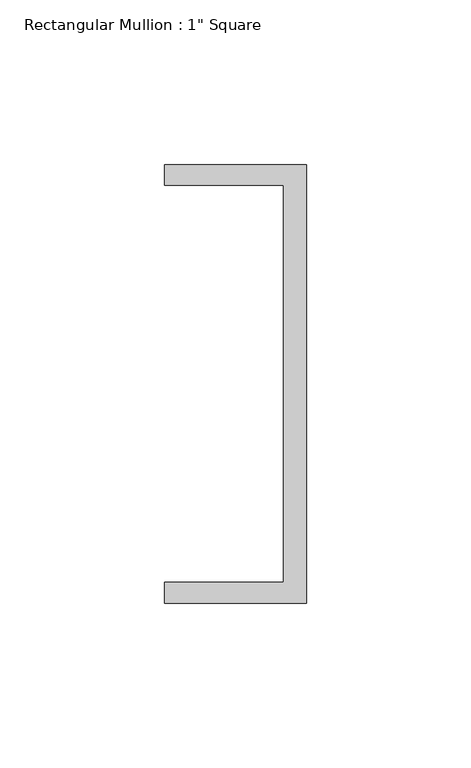
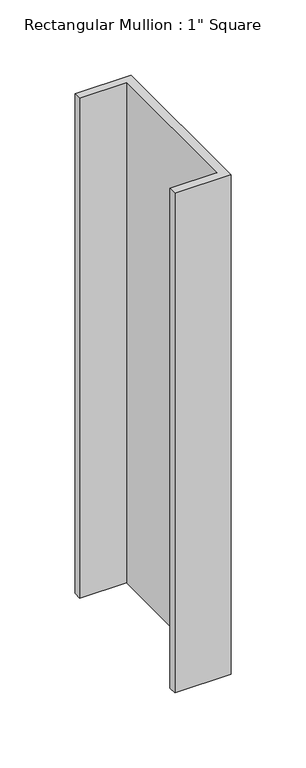
"""IFC4 building model written with IfcOpenShell, lengths in millimetres: member geometry."""

from ifc_helpers import new_model, si_unit, frame, origin, place, context, project, spatial, polyline, outline, extrude, source, transform, mapped, element, save


def member_abe5e072(model_context):
    return source(origin(), model_context, "Body", "SweptSolid", [
        extrude(outline(polyline([(0.0, 135.2608739), (0.0, 1.9108739), (-43.2224547, 1.9108739), (-43.2224547, 8.2608739), (-7.0438577, 8.2608739), (-7.0438577, 128.9108739), (-43.2224547, 128.9108739), (-43.2224547, 135.2608739), (0.0, 135.2608739)])), frame((0.0, 0.0, -406.4013393), z_axis=(0.0, 0.0, 1.0), x_axis=(1.0, 0.0, 0.0)), (0.0, 0.0, 1.0), 406.4013393),
    ])


if __name__ == "__main__":
    model = new_model("IFC4")
    model_context = context("Model", 3, world=origin())
    ifc_project = project(units=[si_unit("LENGTHUNIT", "METRE", prefix="MILLI")], contexts=[model_context])
    site = spatial("IfcSite", under=ifc_project)
    building = spatial("IfcBuilding", under=site)
    placement = place(None, origin())
    member_shape = member_abe5e072(model_context)
    element("IfcMember", 1, ObjectType="Rectangular Mullion : 1\" Square", at=placement, inside=building, context=model_context, shape_type="MappedRepresentation", body=[
        mapped(member_shape, transform((0.0, 0.0, 0.0), x_axis=(1.0, 0.0, 0.0), y_axis=(0.0, 1.0, 0.0), z_axis=(0.0, 0.0, 1.0))),
    ])
    save(model, "model.ifc")
